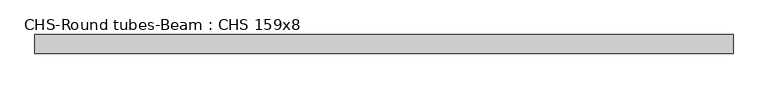
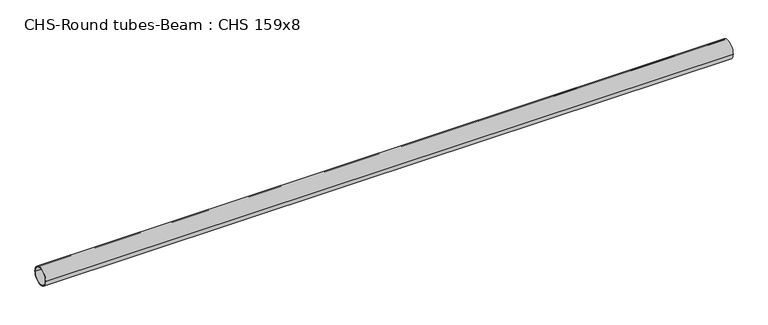
"""IFC4 building model written with IfcOpenShell, lengths in millimetres: beam geometry, CHS-Round tubes-Beam : CHS 159x8."""

from ifc_helpers import new_model, si_unit, point, frame, origin, origin_2d, place, context, project, spatial, circle_curve, trimmed, segment, composite_curve, outline, extrude, source, transform, mapped, element, save


def chs_round_tubes_beam_chs_159x8_ab9b6331(model_context):
    return source(origin(), model_context, "Body", "SweptSolid", [
        extrude(outline(composite_curve([segment(trimmed(circle_curve(origin_2d(), 79.5), [point((79.5, 0.0))], [point((-79.5, 0.0))], False, "CARTESIAN"), True, "CONTINUOUS"), segment(trimmed(circle_curve(origin_2d(), 79.5), [point((-79.5, 0.0))], [point((79.5, 0.0))], False, "CARTESIAN"), True, "CONTINUOUS")], self_intersect=False), holes=[composite_curve([segment(trimmed(circle_curve(origin_2d(), 71.5), [point((71.5, 0.0))], [point((-71.5, 0.0))], True, "CARTESIAN"), True, "CONTINUOUS"), segment(trimmed(circle_curve(origin_2d(), 71.5), [point((-71.5, 0.0))], [point((71.5, 0.0))], True, "CARTESIAN"), True, "CONTINUOUS")], self_intersect=False)]), frame((-2974.6477803, 0.0, 0.0), z_axis=(1.0, 0.0, 0.0), x_axis=(0.0, 1.0, 0.0)), (0.0, 0.0, 1.0), 5949.2955606),
    ])


if __name__ == "__main__":
    model = new_model("IFC4")
    model_context = context("Model", 3, world=origin())
    ifc_project = project(units=[si_unit("LENGTHUNIT", "METRE", prefix="MILLI")], contexts=[model_context])
    site = spatial("IfcSite", under=ifc_project)
    building = spatial("IfcBuilding", under=site)
    placement = place(None, origin())
    chs_round_tubes_beam_chs_159x8_shape = chs_round_tubes_beam_chs_159x8_ab9b6331(model_context)
    element("IfcBeam", 1, ObjectType="CHS-Round tubes-Beam : CHS 159x8", at=placement, inside=building, context=model_context, shape_type="MappedRepresentation", body=[
        mapped(chs_round_tubes_beam_chs_159x8_shape, transform((0.0, 0.0, 0.0), x_axis=(1.0, 0.0, 0.0), y_axis=(0.0, 1.0, 0.0), z_axis=(0.0, 0.0, 1.0))),
    ])
    save(model, "model.ifc")
